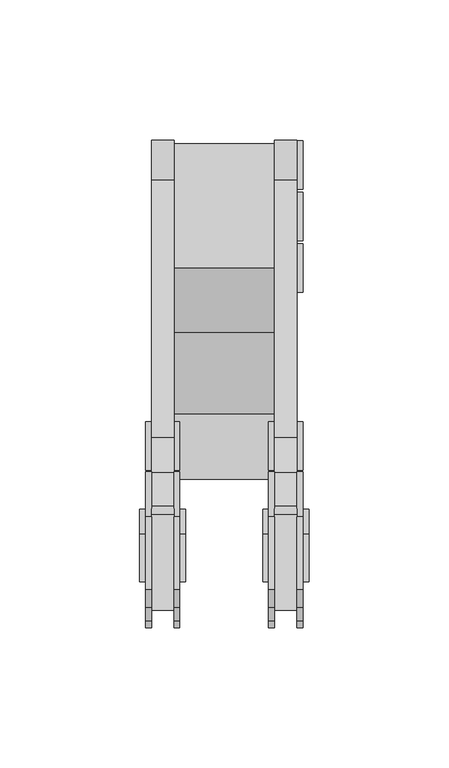
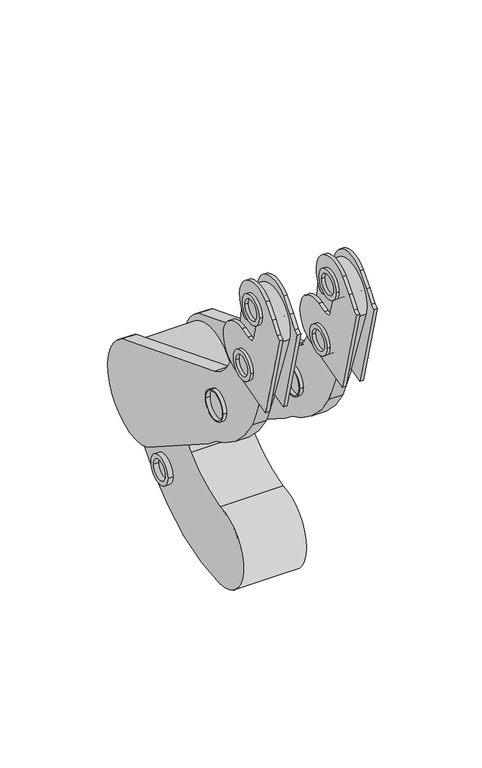
"""IFC4 building model written with IfcOpenShell, lengths in millimetres: proxy geometry."""

from ifc_helpers import new_model, si_unit, point, frame, frame_2d, origin, place, context, project, spatial, polyline, circle_curve, trimmed, segment, composite_curve, outline, extrude, source, transform, mapped, element, save


def specialty_equipment_9ee9222f(model_context):
    return source(origin(), model_context, "Body", "SweptSolid", [
        extrude(outline(composite_curve([segment(trimmed(circle_curve(frame_2d((1112.0049574, 2285.6600288)), 8.65), [point((1120.6549574, 2285.6600288))], [point((1103.3549574, 2285.6600288))], False, "CARTESIAN"), True, "CONTINUOUS"), segment(trimmed(circle_curve(frame_2d((1112.0049574, 2285.6600288)), 8.65), [point((1103.3549574, 2285.6600288))], [point((1120.6549574, 2285.6600288))], False, "CARTESIAN"), True, "CONTINUOUS")], self_intersect=False), holes=[composite_curve([segment(trimmed(circle_curve(frame_2d((1112.0049574, 2285.6600288)), 8.0), [point((1120.0049574, 2285.6600288))], [point((1104.0049574, 2285.6600288))], True, "CARTESIAN"), True, "CONTINUOUS"), segment(trimmed(circle_curve(frame_2d((1112.0049574, 2285.6600288)), 8.0), [point((1104.0049574, 2285.6600288))], [point((1120.0049574, 2285.6600288))], True, "CARTESIAN"), True, "CONTINUOUS")], self_intersect=False)]), frame((-923.4758952, 0.0, 0.0), z_axis=(1.0, 0.0, 0.0), x_axis=(0.0, 1.0, 0.0)), (0.0, 0.0, 1.0), 12.1793386),
        extrude(outline(composite_curve([segment(trimmed(circle_curve(frame_2d((1178.9307976, 2203.5757744)), 8.45), [point((1187.3807976, 2203.5757744))], [point((1170.4807976, 2203.5757744))], False, "CARTESIAN"), True, "CONTINUOUS"), segment(trimmed(circle_curve(frame_2d((1178.9307976, 2203.5757744)), 8.45), [point((1170.4807976, 2203.5757744))], [point((1187.3807976, 2203.5757744))], False, "CARTESIAN"), True, "CONTINUOUS")], self_intersect=False), holes=[composite_curve([segment(trimmed(circle_curve(frame_2d((1178.9307976, 2203.5757744)), 5.8446557), [point((1184.7754533, 2203.5757744))], [point((1173.086142, 2203.5757744))], True, "CARTESIAN"), True, "CONTINUOUS"), segment(trimmed(circle_curve(frame_2d((1178.9307976, 2203.5757744)), 5.8446557), [point((1173.086142, 2203.5757744))], [point((1184.7754533, 2203.5757744))], True, "CARTESIAN"), True, "CONTINUOUS")], self_intersect=False)]), frame((-916.2189265, 0.0, 0.0), z_axis=(1.0, 0.0, 0.0), x_axis=(0.0, 1.0, 0.0)), (0.0, 0.0, 1.0), 42.0069327),
        extrude(outline(composite_curve([segment(trimmed(circle_curve(frame_2d((1112.0049574, 2285.6600288)), 8.65), [point((1120.6549574, 2285.6600288))], [point((1103.3549574, 2285.6600288))], False, "CARTESIAN"), True, "CONTINUOUS"), segment(trimmed(circle_curve(frame_2d((1112.0049574, 2285.6600288)), 8.65), [point((1103.3549574, 2285.6600288))], [point((1120.6549574, 2285.6600288))], False, "CARTESIAN"), True, "CONTINUOUS")], self_intersect=False), holes=[composite_curve([segment(trimmed(circle_curve(frame_2d((1112.0049574, 2285.6600288)), 8.0), [point((1120.0049574, 2285.6600288))], [point((1104.0049574, 2285.6600288))], True, "CARTESIAN"), True, "CONTINUOUS"), segment(trimmed(circle_curve(frame_2d((1112.0049574, 2285.6600288)), 8.0), [point((1104.0049574, 2285.6600288))], [point((1120.0049574, 2285.6600288))], True, "CARTESIAN"), True, "CONTINUOUS")], self_intersect=False)]), frame((-879.4889281, 0.0, 0.0), z_axis=(1.0, 0.0, 0.0), x_axis=(0.0, 1.0, 0.0)), (0.0, 0.0, 1.0), 12.1793386),
        extrude(outline(composite_curve([segment(polyline([(1079.190106, 2358.3621293), (1077.0142911, 2362.1307512)]), True, "CONTINUOUS"), segment(trimmed(circle_curve(frame_2d((1071.9192009, 2368.1481455)), 7.8847307), [point((1077.0142911, 2362.1307512))], [point((1069.8647097, 2360.5357842))], False, "CARTESIAN"), True, "CONTINUOUS"), segment(polyline([(1069.8647097, 2360.5357842), (1072.4044544, 2351.0573281)]), True, "CONTINUOUS"), segment(trimmed(circle_curve(frame_2d((1077.2340835, 2352.3514234)), 5.0), [point((1072.4044544, 2351.0573281))], [point((1078.5298679, 2347.5222472))], True, "CARTESIAN"), True, "CONTINUOUS"), segment(polyline([(1078.5298679, 2347.5222472), (1084.3680941, 2349.0865951)]), True, "CONTINUOUS"), segment(trimmed(circle_curve(frame_2d((1088.1393221, 2335.0121808)), 14.5709059), [point((1084.3680941, 2349.0865951))], [point((1097.7233332, 2324.0368434))], False, "CARTESIAN"), True, "CONTINUOUS"), segment(trimmed(circle_curve(frame_2d((1087.953145, 2334.7408388)), 14.4924841), [point((1097.7233332, 2324.0368434))], [point((1091.6769866, 2320.7349436))], False, "CARTESIAN"), True, "CONTINUOUS"), segment(polyline([(1091.6769866, 2320.7349436), (1060.7634624, 2312.5157569), (1046.9755758, 2364.373949)]), True, "CONTINUOUS"), segment(trimmed(circle_curve(frame_2d((1045.5188858, 2369.1570499)), 5.0), [point((1046.9755758, 2364.373949))], [point((1049.4589396, 2366.0787425))], True, "CARTESIAN"), True, "CONTINUOUS"), segment(polyline([(1049.4589396, 2366.0787425), (1054.3874606, 2372.3869618), (1060.7469074, 2379.5888948)]), True, "CONTINUOUS"), segment(trimmed(circle_curve(frame_2d((1071.3575234, 2368.5845243)), 15.2866393), [point((1060.7469074, 2379.5888948))], [point((1082.3618939, 2357.9739084))], False, "CARTESIAN"), True, "CONTINUOUS"), segment(trimmed(circle_curve(frame_2d((1080.9221568, 2359.3621293)), 2.0), [point((1082.3618939, 2357.9739084))], [point((1079.190106, 2358.3621293))], False, "CARTESIAN"), True, "CONTINUOUS")], self_intersect=False)), frame((-923.4758952, 0.0, 0.0), z_axis=(1.0, 0.0, 0.0), x_axis=(0.0, 1.0, 0.0)), (0.0, 0.0, 1.0), 2.0895853),
        extrude(outline(composite_curve([segment(trimmed(circle_curve(frame_2d((1071.9126733, 2368.7338538)), 8.45), [point((1080.3626733, 2368.7338538))], [point((1063.4626733, 2368.7338538))], False, "CARTESIAN"), True, "CONTINUOUS"), segment(trimmed(circle_curve(frame_2d((1071.9126733, 2368.7338538)), 8.45), [point((1063.4626733, 2368.7338538))], [point((1080.3626733, 2368.7338538))], False, "CARTESIAN"), True, "CONTINUOUS")], self_intersect=False), holes=[composite_curve([segment(trimmed(circle_curve(frame_2d((1071.9126733, 2368.7338538)), 5.8446557), [point((1077.7573289, 2368.7338538))], [point((1066.0680176, 2368.7338538))], True, "CARTESIAN"), True, "CONTINUOUS"), segment(trimmed(circle_curve(frame_2d((1071.9126733, 2368.7338538)), 5.8446557), [point((1066.0680176, 2368.7338538))], [point((1077.7573289, 2368.7338538))], True, "CARTESIAN"), True, "CONTINUOUS")], self_intersect=False)]), frame((-925.5510798, 0.0, 0.0), z_axis=(1.0, 0.0, 0.0), x_axis=(0.0, 1.0, 0.0)), (0.0, 0.0, 1.0), 16.4032293),
        extrude(outline(composite_curve([segment(trimmed(circle_curve(frame_2d((1080.9283596, 2329.6230505)), 8.45), [point((1089.3783596, 2329.6230505))], [point((1072.4783596, 2329.6230505))], False, "CARTESIAN"), True, "CONTINUOUS"), segment(trimmed(circle_curve(frame_2d((1080.9283596, 2329.6230505)), 8.45), [point((1072.4783596, 2329.6230505))], [point((1089.3783596, 2329.6230505))], False, "CARTESIAN"), True, "CONTINUOUS")], self_intersect=False), holes=[composite_curve([segment(trimmed(circle_curve(frame_2d((1080.9283596, 2329.6230505)), 5.8446557), [point((1086.7730153, 2329.6230505))], [point((1075.0837039, 2329.6230505))], True, "CARTESIAN"), True, "CONTINUOUS"), segment(trimmed(circle_curve(frame_2d((1080.9283596, 2329.6230505)), 5.8446557), [point((1075.0837039, 2329.6230505))], [point((1086.7730153, 2329.6230505))], True, "CARTESIAN"), True, "CONTINUOUS")], self_intersect=False)]), frame((-925.5510798, 0.0, 0.0), z_axis=(1.0, 0.0, 0.0), x_axis=(0.0, 1.0, 0.0)), (0.0, 0.0, 1.0), 16.4032293),
        extrude(outline(composite_curve([segment(polyline([(1079.190106, 2358.3621293), (1077.0142911, 2362.1307512)]), True, "CONTINUOUS"), segment(trimmed(circle_curve(frame_2d((1071.9192009, 2368.1481455)), 7.8847307), [point((1077.0142911, 2362.1307512))], [point((1069.8647097, 2360.5357842))], False, "CARTESIAN"), True, "CONTINUOUS"), segment(polyline([(1069.8647097, 2360.5357842), (1072.4044544, 2351.0573281)]), True, "CONTINUOUS"), segment(trimmed(circle_curve(frame_2d((1077.2340835, 2352.3514234)), 5.0), [point((1072.4044544, 2351.0573281))], [point((1078.5298679, 2347.5222472))], True, "CARTESIAN"), True, "CONTINUOUS"), segment(polyline([(1078.5298679, 2347.5222472), (1084.3680941, 2349.0865951)]), True, "CONTINUOUS"), segment(trimmed(circle_curve(frame_2d((1088.1393221, 2335.0121808)), 14.5709059), [point((1084.3680941, 2349.0865951))], [point((1097.7233332, 2324.0368434))], False, "CARTESIAN"), True, "CONTINUOUS"), segment(trimmed(circle_curve(frame_2d((1087.953145, 2334.7408388)), 14.4924841), [point((1097.7233332, 2324.0368434))], [point((1091.6769866, 2320.7349436))], False, "CARTESIAN"), True, "CONTINUOUS"), segment(polyline([(1091.6769866, 2320.7349436), (1060.7634624, 2312.5157569), (1046.9755758, 2364.373949)]), True, "CONTINUOUS"), segment(trimmed(circle_curve(frame_2d((1045.5188858, 2369.1570499)), 5.0), [point((1046.9755758, 2364.373949))], [point((1049.4589396, 2366.0787425))], True, "CARTESIAN"), True, "CONTINUOUS"), segment(polyline([(1049.4589396, 2366.0787425), (1054.3874606, 2372.3869618), (1060.7469074, 2379.5888948)]), True, "CONTINUOUS"), segment(trimmed(circle_curve(frame_2d((1071.3575234, 2368.5845243)), 15.2866393), [point((1060.7469074, 2379.5888948))], [point((1082.3618939, 2357.9739084))], False, "CARTESIAN"), True, "CONTINUOUS"), segment(trimmed(circle_curve(frame_2d((1080.9221568, 2359.3621293)), 2.0), [point((1082.3618939, 2357.9739084))], [point((1079.190106, 2358.3621293))], False, "CARTESIAN"), True, "CONTINUOUS")], self_intersect=False)), frame((-913.3861418, 0.0, 0.0), z_axis=(1.0, 0.0, 0.0), x_axis=(0.0, 1.0, 0.0)), (0.0, 0.0, 1.0), 2.0895853),
        extrude(outline(composite_curve([segment(trimmed(circle_curve(frame_2d((1175.4982895, 2243.5686033)), 8.65), [point((1184.1482895, 2243.5686033))], [point((1166.8482895, 2243.5686033))], False, "CARTESIAN"), True, "CONTINUOUS"), segment(trimmed(circle_curve(frame_2d((1175.4982895, 2243.5686033)), 8.65), [point((1166.8482895, 2243.5686033))], [point((1184.1482895, 2243.5686033))], False, "CARTESIAN"), True, "CONTINUOUS")], self_intersect=False), holes=[composite_curve([segment(trimmed(circle_curve(frame_2d((1175.4570308, 2243.6951894)), 8.0), [point((1183.4570308, 2243.6951894))], [point((1167.4570307, 2243.6951894))], True, "CARTESIAN"), True, "CONTINUOUS"), segment(trimmed(circle_curve(frame_2d((1175.4570308, 2243.6951894)), 8.0), [point((1167.4570307, 2243.6951894))], [point((1183.4570308, 2243.6951894))], True, "CARTESIAN"), True, "CONTINUOUS")], self_intersect=False)]), frame((-874.1722902, 0.0, 0.0), z_axis=(1.0, 0.0, 0.0), x_axis=(0.0, 1.0, 0.0)), (0.0, 0.0, 1.0), 6.8627007),
        extrude(outline(composite_curve([segment(trimmed(circle_curve(frame_2d((1193.9243828, 2243.5781776)), 8.65), [point((1202.5743828, 2243.5781776))], [point((1185.2743828, 2243.5781776))], False, "CARTESIAN"), True, "CONTINUOUS"), segment(trimmed(circle_curve(frame_2d((1193.9243828, 2243.5781776)), 8.65), [point((1185.2743828, 2243.5781776))], [point((1202.5743828, 2243.5781776))], False, "CARTESIAN"), True, "CONTINUOUS")], self_intersect=False), holes=[composite_curve([segment(trimmed(circle_curve(frame_2d((1193.9243828, 2243.5781776)), 8.0), [point((1201.9243828, 2243.5781776))], [point((1185.9243828, 2243.5781776))], True, "CARTESIAN"), True, "CONTINUOUS"), segment(trimmed(circle_curve(frame_2d((1193.9243828, 2243.5781776)), 8.0), [point((1185.9243828, 2243.5781776))], [point((1201.9243828, 2243.5781776))], True, "CARTESIAN"), True, "CONTINUOUS")], self_intersect=False)]), frame((-874.1722902, 0.0, 0.0), z_axis=(1.0, 0.0, 0.0), x_axis=(0.0, 1.0, 0.0)), (0.0, 0.0, 1.0), 6.8627007),
        extrude(outline(composite_curve([segment(trimmed(circle_curve(frame_2d((1212.3917369, 2243.5827149)), 8.65), [point((1221.0417369, 2243.5827149))], [point((1203.7417369, 2243.5827149))], False, "CARTESIAN"), True, "CONTINUOUS"), segment(trimmed(circle_curve(frame_2d((1212.3917369, 2243.5827149)), 8.65), [point((1203.7417369, 2243.5827149))], [point((1221.0417369, 2243.5827149))], False, "CARTESIAN"), True, "CONTINUOUS")], self_intersect=False), holes=[composite_curve([segment(trimmed(circle_curve(frame_2d((1212.3917369, 2243.5827149)), 8.0), [point((1220.3917369, 2243.5827149))], [point((1204.3917369, 2243.5827149))], True, "CARTESIAN"), True, "CONTINUOUS"), segment(trimmed(circle_curve(frame_2d((1212.3917369, 2243.5827149)), 8.0), [point((1204.3917369, 2243.5827149))], [point((1220.3917369, 2243.5827149))], True, "CARTESIAN"), True, "CONTINUOUS")], self_intersect=False)]), frame((-874.1722902, 0.0, 0.0), z_axis=(1.0, 0.0, 0.0), x_axis=(0.0, 1.0, 0.0)), (0.0, 0.0, 1.0), 6.8627007),
        extrude(outline(composite_curve([segment(polyline([(1079.190106, 2358.3621293), (1077.0142911, 2362.1307512)]), True, "CONTINUOUS"), segment(trimmed(circle_curve(frame_2d((1071.9192009, 2368.1481455)), 7.8847307), [point((1077.0142911, 2362.1307512))], [point((1069.8647097, 2360.5357842))], False, "CARTESIAN"), True, "CONTINUOUS"), segment(polyline([(1069.8647097, 2360.5357842), (1072.4044544, 2351.0573281)]), True, "CONTINUOUS"), segment(trimmed(circle_curve(frame_2d((1077.2340835, 2352.3514234)), 5.0), [point((1072.4044544, 2351.0573281))], [point((1078.5298679, 2347.5222472))], True, "CARTESIAN"), True, "CONTINUOUS"), segment(polyline([(1078.5298679, 2347.5222472), (1084.3680941, 2349.0865951)]), True, "CONTINUOUS"), segment(trimmed(circle_curve(frame_2d((1088.1393221, 2335.0121808)), 14.5709059), [point((1084.3680941, 2349.0865951))], [point((1097.7233332, 2324.0368434))], False, "CARTESIAN"), True, "CONTINUOUS"), segment(trimmed(circle_curve(frame_2d((1087.953145, 2334.7408388)), 14.4924841), [point((1097.7233332, 2324.0368434))], [point((1091.6769866, 2320.7349436))], False, "CARTESIAN"), True, "CONTINUOUS"), segment(polyline([(1091.6769866, 2320.7349436), (1060.7634624, 2312.5157569), (1046.9755758, 2364.373949)]), True, "CONTINUOUS"), segment(trimmed(circle_curve(frame_2d((1045.5188858, 2369.1570499)), 5.0), [point((1046.9755758, 2364.373949))], [point((1049.4589396, 2366.0787425))], True, "CARTESIAN"), True, "CONTINUOUS"), segment(polyline([(1049.4589396, 2366.0787425), (1054.3874606, 2372.3869618), (1060.7469074, 2379.5888948)]), True, "CONTINUOUS"), segment(trimmed(circle_curve(frame_2d((1071.3575234, 2368.5845243)), 15.2866393), [point((1060.7469074, 2379.5888948))], [point((1082.3618939, 2357.9739084))], False, "CARTESIAN"), True, "CONTINUOUS"), segment(trimmed(circle_curve(frame_2d((1080.9221568, 2359.3621293)), 2.0), [point((1082.3618939, 2357.9739084))], [point((1079.190106, 2358.3621293))], False, "CARTESIAN"), True, "CONTINUOUS")], self_intersect=False)), frame((-879.4889281, 0.0, 0.0), z_axis=(1.0, 0.0, 0.0), x_axis=(0.0, 1.0, 0.0)), (0.0, 0.0, 1.0), 2.0895853),
        extrude(outline(composite_curve([segment(trimmed(circle_curve(frame_2d((1071.9126733, 2368.7338538)), 8.45), [point((1080.3626733, 2368.7338538))], [point((1063.4626733, 2368.7338538))], False, "CARTESIAN"), True, "CONTINUOUS"), segment(trimmed(circle_curve(frame_2d((1071.9126733, 2368.7338538)), 8.45), [point((1063.4626733, 2368.7338538))], [point((1080.3626733, 2368.7338538))], False, "CARTESIAN"), True, "CONTINUOUS")], self_intersect=False), holes=[composite_curve([segment(trimmed(circle_curve(frame_2d((1071.9126733, 2368.7338538)), 5.8446557), [point((1077.7573289, 2368.7338538))], [point((1066.0680176, 2368.7338538))], True, "CARTESIAN"), True, "CONTINUOUS"), segment(trimmed(circle_curve(frame_2d((1071.9126733, 2368.7338538)), 5.8446557), [point((1066.0680176, 2368.7338538))], [point((1077.7573289, 2368.7338538))], True, "CARTESIAN"), True, "CONTINUOUS")], self_intersect=False)]), frame((-881.5641128, 0.0, 0.0), z_axis=(1.0, 0.0, 0.0), x_axis=(0.0, 1.0, 0.0)), (0.0, 0.0, 1.0), 16.4032293),
        extrude(outline(composite_curve([segment(trimmed(circle_curve(frame_2d((1080.9283596, 2329.6230505)), 8.45), [point((1089.3783596, 2329.6230505))], [point((1072.4783596, 2329.6230505))], False, "CARTESIAN"), True, "CONTINUOUS"), segment(trimmed(circle_curve(frame_2d((1080.9283596, 2329.6230505)), 8.45), [point((1072.4783596, 2329.6230505))], [point((1089.3783596, 2329.6230505))], False, "CARTESIAN"), True, "CONTINUOUS")], self_intersect=False), holes=[composite_curve([segment(trimmed(circle_curve(frame_2d((1080.9283596, 2329.6230505)), 5.8446557), [point((1086.7730153, 2329.6230505))], [point((1075.0837039, 2329.6230505))], True, "CARTESIAN"), True, "CONTINUOUS"), segment(trimmed(circle_curve(frame_2d((1080.9283596, 2329.6230505)), 5.8446557), [point((1075.0837039, 2329.6230505))], [point((1086.7730153, 2329.6230505))], True, "CARTESIAN"), True, "CONTINUOUS")], self_intersect=False)]), frame((-881.5641128, 0.0, 0.0), z_axis=(1.0, 0.0, 0.0), x_axis=(0.0, 1.0, 0.0)), (0.0, 0.0, 1.0), 16.4032293),
        extrude(outline(composite_curve([segment(trimmed(circle_curve(frame_2d((1123.49458, 2259.3001399)), 92.0415841), [point((1189.3889247, 2195.0382652))], [point((1123.49458, 2167.2585558))], False, "CARTESIAN"), True, "CONTINUOUS"), segment(trimmed(circle_curve(frame_2d((1123.49458, 2190.5757436)), 23.3171878), [point((1123.49458, 2167.2585558))], [point((1123.49458, 2213.8929315))], False, "CARTESIAN"), True, "CONTINUOUS"), segment(trimmed(circle_curve(frame_2d((1108.1498536, 2277.8754307)), 65.7968148), [point((1123.49458, 2213.8929315))], [point((1152.6130872, 2229.3755164))], True, "CARTESIAN"), True, "CONTINUOUS"), segment(trimmed(circle_curve(frame_2d((1047.9281801, 2343.5644452)), 154.9130118), [point((1152.6130872, 2229.3755164))], [point((1175.5751533, 2255.7903517))], True, "CARTESIAN"), True, "CONTINUOUS"), segment(trimmed(circle_curve(frame_2d((1195.6662993, 2241.9750446)), 24.3827163), [point((1175.5751533, 2255.7903517))], [point((1216.7720729, 2229.7659015))], False, "CARTESIAN"), True, "CONTINUOUS"), segment(trimmed(circle_curve(frame_2d((1084.7207973, 2305.7300949)), 152.342043), [point((1216.7720729, 2229.7659015))], [point((1189.3889247, 2195.0382652))], False, "CARTESIAN"), True, "CONTINUOUS")], self_intersect=False)), frame((-913.3992651, 0.0, 0.0), z_axis=(1.0, 0.0, 0.0), x_axis=(0.0, 1.0, 0.0)), (0.0, 0.0, 1.0), 35.9999222),
        extrude(outline(composite_curve([segment(polyline([(1079.190106, 2358.3621293), (1077.0142911, 2362.1307512)]), True, "CONTINUOUS"), segment(trimmed(circle_curve(frame_2d((1071.9192009, 2368.1481455)), 7.8847307), [point((1077.0142911, 2362.1307512))], [point((1069.8647097, 2360.5357842))], False, "CARTESIAN"), True, "CONTINUOUS"), segment(polyline([(1069.8647097, 2360.5357842), (1072.4044544, 2351.0573281)]), True, "CONTINUOUS"), segment(trimmed(circle_curve(frame_2d((1077.2340835, 2352.3514234)), 5.0), [point((1072.4044544, 2351.0573281))], [point((1078.5298679, 2347.5222472))], True, "CARTESIAN"), True, "CONTINUOUS"), segment(polyline([(1078.5298679, 2347.5222472), (1084.3680941, 2349.0865951)]), True, "CONTINUOUS"), segment(trimmed(circle_curve(frame_2d((1088.1393221, 2335.0121808)), 14.5709059), [point((1084.3680941, 2349.0865951))], [point((1097.7233332, 2324.0368434))], False, "CARTESIAN"), True, "CONTINUOUS"), segment(trimmed(circle_curve(frame_2d((1087.953145, 2334.7408388)), 14.4924841), [point((1097.7233332, 2324.0368434))], [point((1091.6769866, 2320.7349436))], False, "CARTESIAN"), True, "CONTINUOUS"), segment(polyline([(1091.6769866, 2320.7349436), (1060.7634624, 2312.5157569), (1046.9755758, 2364.373949)]), True, "CONTINUOUS"), segment(trimmed(circle_curve(frame_2d((1045.5188858, 2369.1570499)), 5.0), [point((1046.9755758, 2364.373949))], [point((1049.4589396, 2366.0787425))], True, "CARTESIAN"), True, "CONTINUOUS"), segment(polyline([(1049.4589396, 2366.0787425), (1054.3874606, 2372.3869618), (1060.7469074, 2379.5888948)]), True, "CONTINUOUS"), segment(trimmed(circle_curve(frame_2d((1071.3575234, 2368.5845243)), 15.2866393), [point((1060.7469074, 2379.5888948))], [point((1082.3618939, 2357.9739084))], False, "CARTESIAN"), True, "CONTINUOUS"), segment(trimmed(circle_curve(frame_2d((1080.9221568, 2359.3621293)), 2.0), [point((1082.3618939, 2357.9739084))], [point((1079.190106, 2358.3621293))], False, "CARTESIAN"), True, "CONTINUOUS")], self_intersect=False)), frame((-869.3991748, 0.0, 0.0), z_axis=(1.0, 0.0, 0.0), x_axis=(0.0, 1.0, 0.0)), (0.0, 0.0, 1.0), 2.0895853),
        extrude(outline(composite_curve([segment(trimmed(circle_curve(frame_2d((1143.2416157, 2331.969704)), 75.749819), [point((1105.4131324, 2266.341654))], [point((1077.6135658, 2294.1412207))], False, "CARTESIAN"), True, "CONTINUOUS"), segment(polyline([(1077.6135658, 2294.1412207), (1068.8778691, 2315.2497011), (1053.964647, 2357.6461681)]), True, "CONTINUOUS"), segment(trimmed(circle_curve(frame_2d((1070.4664255, 2362.5382187)), 17.2116487), [point((1053.964647, 2357.6461681))], [point((1087.5124116, 2364.9204879))], False, "CARTESIAN"), True, "CONTINUOUS"), segment(polyline([(1087.5124116, 2364.9204879), (1090.5459192, 2343.2146581)]), True, "CONTINUOUS"), segment(trimmed(circle_curve(frame_2d((1154.8551058, 2352.7159655)), 65.0072789), [point((1090.5459192, 2343.2146581))], [point((1102.639009, 2313.9935489))], True, "CARTESIAN"), True, "CONTINUOUS"), segment(trimmed(circle_curve(frame_2d((1124.9765235, 2329.1147068)), 26.9743206), [point((1102.639009, 2313.9935489))], [point((1115.0878698, 2304.0183226))], True, "CARTESIAN"), True, "CONTINUOUS"), segment(polyline([(1115.0878698, 2304.0183226), (1207.0757135, 2267.7726257)]), True, "CONTINUOUS"), segment(trimmed(circle_curve(frame_2d((1193.028795, 2243.2700582)), 28.2434369), [point((1207.0757135, 2267.7726257))], [point((1182.1790459, 2217.1937343))], False, "CARTESIAN"), True, "CONTINUOUS"), segment(polyline([(1182.1790459, 2217.1937343), (1121.2129227, 2256.30786)]), True, "CONTINUOUS"), segment(trimmed(circle_curve(frame_2d((1088.8667827, 2222.8302912)), 46.5512662), [point((1121.2129227, 2256.30786))], [point((1105.4131324, 2266.341654))], True, "CARTESIAN"), True, "CONTINUOUS")], self_intersect=False)), frame((-921.3863099, 0.0, 0.0), z_axis=(1.0, 0.0, 0.0), x_axis=(0.0, 1.0, 0.0)), (0.0, 0.0, 1.0), 8.000168),
        extrude(outline(composite_curve([segment(trimmed(circle_curve(frame_2d((1143.2416157, 2331.969704)), 75.749819), [point((1105.4131324, 2266.341654))], [point((1077.6135658, 2294.1412207))], False, "CARTESIAN"), True, "CONTINUOUS"), segment(polyline([(1077.6135658, 2294.1412207), (1068.8778691, 2315.2497011), (1053.964647, 2357.6461681)]), True, "CONTINUOUS"), segment(trimmed(circle_curve(frame_2d((1070.4664255, 2362.5382187)), 17.2116487), [point((1053.964647, 2357.6461681))], [point((1087.5124116, 2364.9204879))], False, "CARTESIAN"), True, "CONTINUOUS"), segment(polyline([(1087.5124116, 2364.9204879), (1090.5459192, 2343.2146581)]), True, "CONTINUOUS"), segment(trimmed(circle_curve(frame_2d((1154.8551058, 2352.7159655)), 65.0072789), [point((1090.5459192, 2343.2146581))], [point((1102.639009, 2313.9935489))], True, "CARTESIAN"), True, "CONTINUOUS"), segment(trimmed(circle_curve(frame_2d((1124.9765235, 2329.1147068)), 26.9743206), [point((1102.639009, 2313.9935489))], [point((1115.0878698, 2304.0183226))], True, "CARTESIAN"), True, "CONTINUOUS"), segment(polyline([(1115.0878698, 2304.0183226), (1207.0757135, 2267.7726257)]), True, "CONTINUOUS"), segment(trimmed(circle_curve(frame_2d((1193.028795, 2243.2700582)), 28.2434369), [point((1207.0757135, 2267.7726257))], [point((1182.1790459, 2217.1937343))], False, "CARTESIAN"), True, "CONTINUOUS"), segment(polyline([(1182.1790459, 2217.1937343), (1121.2129227, 2256.30786)]), True, "CONTINUOUS"), segment(trimmed(circle_curve(frame_2d((1088.8667827, 2222.8302912)), 46.5512662), [point((1121.2129227, 2256.30786))], [point((1105.4131324, 2266.341654))], True, "CARTESIAN"), True, "CONTINUOUS")], self_intersect=False)), frame((-877.3993428, 0.0, 0.0), z_axis=(1.0, 0.0, 0.0), x_axis=(0.0, 1.0, 0.0)), (0.0, 0.0, 1.0), 8.000168),
    ])


if __name__ == "__main__":
    model = new_model("IFC4")
    model_context = context("Model", 3, world=origin())
    ifc_project = project(units=[si_unit("LENGTHUNIT", "METRE", prefix="MILLI")], contexts=[model_context])
    site = spatial("IfcSite", under=ifc_project)
    building = spatial("IfcBuilding", under=site)
    placement = place(None, origin())
    specialty_equipment_shape = specialty_equipment_9ee9222f(model_context)
    element("IfcBuildingElementProxy", 1, Name="Specialty Equipment", at=placement, inside=building, context=model_context, shape_type="MappedRepresentation", body=[
        mapped(specialty_equipment_shape, transform((0.0, 0.0, 0.0), x_axis=(1.0, 0.0, 0.0), y_axis=(0.0, 1.0, 0.0), z_axis=(0.0, 0.0, 1.0))),
    ])
    save(model, "model.ifc")
